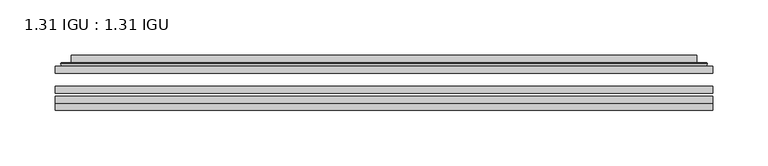
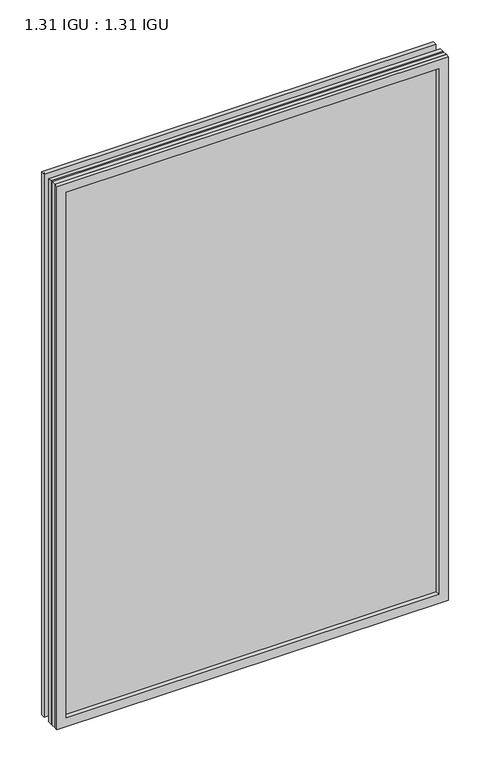
"""IFC4 building model written with IfcOpenShell, lengths in millimetres: plate geometry, 1.31 IGU : 1.31 IGU."""

from ifc_helpers import new_model, si_unit, frame, origin, place, context, project, spatial, polyline, ellipse_curve, outline, extrude, faceted_brep, source, transform, mapped, element, save
from ifc_brep_helpers import plane_surface, cylinder_surface, advanced_brep


def plate_1_31_igu_1_31_igu_4315d41d(model_context):
    return source(origin(), model_context, "Body", "SolidModel", [
        extrude(outline(polyline([(296.8798663, -63.2975937), (296.8798663, -69.6475938), (-296.8656913, -69.6475938), (-296.8656913, -63.2975937), (296.8798663, -63.2975937)])), frame((0.0, 0.0, -14.2875), z_axis=(0.0, 0.0, 1.0), x_axis=(1.0, 0.0, 0.0)), (0.0, 0.0, 1.0), 869.9537979),
        extrude(outline(polyline([(-296.8656913, -78.2835938), (-296.8656913, -71.9330887), (296.8798663, -71.9330887), (296.8798663, -78.2835938), (-296.8656913, -78.2835938)])), frame((0.0, 0.0, -14.2875), z_axis=(0.0, 0.0, 1.0), x_axis=(1.0, 0.0, 0.0)), (0.0, 0.0, 1.0), 869.9537979),
        extrude(outline(polyline([(296.8798663, -44.9587937), (296.8798663, -51.3087938), (-296.8656913, -51.3087938), (-296.8656913, -44.9587937), (296.8798663, -44.9587937)])), frame((0.0, 0.0, -14.2875), z_axis=(0.0, 0.0, 1.0), x_axis=(1.0, 0.0, 0.0)), (0.0, 0.0, 1.0), 869.9537979),
        faceted_brep([(-296.8783913, -84.6335937, 855.6752), (-296.8783913, -78.2835937, 855.6752), (-296.8783913, -78.2835937, -14.3002), (-296.8783913, -84.6335937, -14.3002), (296.8783913, -78.2835937, -14.3002), (296.8783913, -84.6335937, -14.3002), (296.8783913, -78.2835937, 855.6752), (296.8783913, -84.6335937, 855.6752), (-281.6804472, -78.2835937, 0.8977441), (281.6804472, -78.2835937, 0.8977441), (281.6804472, -78.2835937, 840.4772559), (-281.6804472, -78.2835937, 840.4772559), (-282.5728815, -84.6335937, 841.3696902), (282.5728815, -84.6335937, 841.3696902), (282.5728815, -84.6335937, 0.0053098), (-282.5728815, -84.6335937, 0.0053098)], [[[0, 1, 2, 3]], [[3, 2, 4, 5]], [[5, 4, 6, 7]], [[1, 6, 4, 2], [8, 9, 10, 11]], [[7, 6, 1, 0]], [[3, 5, 7, 0], [12, 13, 14, 15]], [[11, 12, 15, 8]], [[8, 15, 14, 9]], [[9, 14, 13, 10]], [[10, 13, 12, 11]]]),
        advanced_brep(
        [(-289.6244103, -44.9587937, 848.421219), (-291.9786157, -42.9691271, 850.7754244), (-291.9786157, -42.9691271, -9.4004244), (-289.6244103, -44.9587937, -7.046219), (-280.5500852, -41.1187568, 839.3468939), (-275.6152534, -44.9587937, 834.4120621), (-275.6152534, -44.9587937, 6.9629379), (-280.5500852, -41.1187568, 2.0281061), (-281.582113, -35.7215256, 840.3789217), (-281.582113, -35.7215256, 0.9960783), (-282.5727697, -35.3225507, 841.3695784), (-282.5727697, -35.3225507, 0.0054216), (-282.5727697, -41.7837937, 841.3695784), (-282.5727697, -41.7837937, 0.0054216), (-290.9768262, -41.7837937, 849.7736349), (-290.9768262, -41.7837937, -8.3986349), (291.9786157, -42.9691271, -9.4004244), (289.6244103, -44.9587937, -7.046219), (275.6152534, -44.9587937, 6.9629379), (280.5500852, -41.1187568, 2.0281061), (281.582113, -35.7215256, 0.9960783), (282.5727697, -35.3225507, 0.0054216), (282.5727697, -41.7837937, 0.0054216), (290.9768262, -41.7837937, -8.3986349), (291.9786157, -42.9691271, 850.7754244), (289.6244103, -44.9587937, 848.421219), (275.6152534, -44.9587937, 834.4120621), (280.5500852, -41.1187568, 839.3468939), (281.582113, -35.7215256, 840.3789217), (282.5727697, -35.3225507, 841.3695784), (282.5727697, -41.7837937, 841.3695784), (290.9768262, -41.7837937, 849.7736349)],
        [
            (0, 1, ellipse_curve(frame((-289.6244103, -42.5711937, 848.421219), z_axis=(-0.7071067811865475, 0.0, -0.7071067811865475), x_axis=(-0.7071067811865474, 0.0, 0.7071067811865476)), 3.3765763, 2.3876)),
            (1, 2),
            (2, 3, ellipse_curve(frame((-289.6244103, -42.5711937, -7.046219), z_axis=(-0.7071067811865475, 0.0, 0.7071067811865475), x_axis=(0.7071067811865474, 0.0, 0.7071067811865476)), 3.3765763, 2.3876)),
            (3, 0),
            (4, 5),
            (5, 6),
            (6, 7),
            (7, 4),
            (8, 4),
            (7, 9),
            (9, 8),
            (10, 8, ellipse_curve(frame((-282.2058132, -35.840786, 841.0026219), z_axis=(-0.7071067811865475, 0.0, -0.7071067811865475), x_axis=(-0.7071067811865474, 0.0, 0.7071067811865476)), 0.8980256, 0.635)),
            (9, 11, ellipse_curve(frame((-282.2058132, -35.840786, 0.3723781), z_axis=(-0.7071067811865475, 0.0, 0.7071067811865475), x_axis=(0.7071067811865474, 0.0, 0.7071067811865476)), 0.8980256, 0.635)),
            (11, 10),
            (12, 10),
            (11, 13),
            (13, 12),
            (1, 14, ellipse_curve(frame((-290.9768262, -42.7997937, 849.7736349), z_axis=(-0.7071067811865475, 0.0, -0.7071067811865475), x_axis=(-0.7071067811865474, 0.0, 0.7071067811865476)), 1.436841, 1.016)),
            (14, 15),
            (15, 2, ellipse_curve(frame((-290.9768262, -42.7997937, -8.3986349), z_axis=(-0.7071067811865475, 0.0, 0.7071067811865475), x_axis=(0.7071067811865474, 0.0, 0.7071067811865476)), 1.436841, 1.016)),
            (2, 16),
            (16, 17, ellipse_curve(frame((289.6244103, -42.5711937, -7.046219), z_axis=(-0.7071067811865475, 0.0, -0.7071067811865475), x_axis=(-0.7071067811865476, 0.0, 0.7071067811865474)), 3.3765763, 2.3876)),
            (17, 3),
            (6, 18),
            (18, 19),
            (19, 7),
            (19, 20),
            (20, 9),
            (20, 21, ellipse_curve(frame((282.2058132, -35.840786, 0.3723781), z_axis=(-0.7071067811865475, 0.0, -0.7071067811865475), x_axis=(-0.7071067811865476, 0.0, 0.7071067811865474)), 0.8980256, 0.635)),
            (21, 11),
            (21, 22),
            (22, 13),
            (15, 23),
            (23, 16, ellipse_curve(frame((290.9768262, -42.7997937, -8.3986349), z_axis=(-0.7071067811865475, 0.0, -0.7071067811865475), x_axis=(-0.7071067811865476, 0.0, 0.7071067811865474)), 1.436841, 1.016)),
            (16, 24),
            (24, 25, ellipse_curve(frame((289.6244103, -42.5711937, 848.421219), z_axis=(0.7071067811865475, 0.0, -0.7071067811865475), x_axis=(-0.7071067811865474, 0.0, -0.7071067811865476)), 3.3765763, 2.3876)),
            (25, 17),
            (18, 26),
            (26, 27),
            (27, 19),
            (27, 28),
            (28, 20),
            (28, 29, ellipse_curve(frame((282.2058132, -35.840786, 841.0026219), z_axis=(0.7071067811865475, 0.0, -0.7071067811865475), x_axis=(-0.7071067811865474, 0.0, -0.7071067811865476)), 0.8980256, 0.635)),
            (29, 21),
            (29, 30),
            (30, 22),
            (23, 31),
            (31, 24, ellipse_curve(frame((290.9768262, -42.7997937, 849.7736349), z_axis=(0.7071067811865475, 0.0, -0.7071067811865475), x_axis=(-0.7071067811865474, 0.0, -0.7071067811865476)), 1.436841, 1.016)),
            (24, 1),
            (0, 25),
            (5, 26),
            (4, 27),
            (8, 28),
            (10, 29),
            (12, 30),
            (14, 31),
        ],
        [
            cylinder_surface(frame((-289.6244103, -42.5711937, 873.125), z_axis=(0.0, 0.0, 1.0), x_axis=(-1.0, 0.0, 0.0)), 2.3876),
            plane_surface(frame((-275.6152534, -44.9587937, 834.4120621), z_axis=(0.6141233906514794, 0.7892100234124821, 0.0), x_axis=(0.0, 0.0, -1.0))),
            plane_surface(frame((-280.5500852, -41.1187568, 839.3468939), z_axis=(0.9822050625507729, 0.18781164793386076, 0.0), x_axis=(0.0, 0.0, -1.0))),
            cylinder_surface(frame((-282.2058132, -35.840786, 873.125), z_axis=(0.0, 0.0, 1.0), x_axis=(-1.0, 0.0, 0.0)), 0.635),
            plane_surface(frame((-282.5727697, -35.3225507, 841.3695784), z_axis=(-1.0, 0.0, 0.0), x_axis=(0.0, 0.0, -1.0))),
            cylinder_surface(frame((-290.9768262, -42.7997937, 873.125), z_axis=(0.0, 0.0, 1.0), x_axis=(-1.0, 0.0, 0.0)), 1.016),
            cylinder_surface(frame((-314.3281913, -42.5711937, -7.046219), z_axis=(-1.0, 0.0, 0.0), x_axis=(0.0, 0.0, -1.0)), 2.3876),
            plane_surface(frame((-275.6152534, -44.9587937, 6.9629379), z_axis=(0.0, 0.7892100234124841, 0.6141233906514768), x_axis=(1.0, 0.0, 0.0))),
            plane_surface(frame((-280.5500852, -41.1187568, 2.0281061), z_axis=(0.0, 0.18781164793386393, 0.9822050625507723), x_axis=(1.0, 0.0, 0.0))),
            cylinder_surface(frame((-314.3281913, -35.840786, 0.3723781), z_axis=(-1.0, 0.0, 0.0), x_axis=(0.0, 0.0, -1.0)), 0.635),
            plane_surface(frame((-282.5727697, -35.3225507, 0.0054216), z_axis=(0.0, 0.0, -1.0), x_axis=(1.0, 0.0, 0.0))),
            cylinder_surface(frame((-314.3281913, -42.7997937, -8.3986349), z_axis=(-1.0, 0.0, 0.0), x_axis=(0.0, 0.0, -1.0)), 1.016),
            cylinder_surface(frame((289.6244103, -42.5711937, -31.75), z_axis=(0.0, 0.0, -1.0), x_axis=(1.0, 0.0, 0.0)), 2.3876),
            plane_surface(frame((275.6152534, -44.9587937, 6.9629379), z_axis=(-0.6141233906514743, 0.7892100234124861, 0.0), x_axis=(0.0, 0.0, 1.0))),
            plane_surface(frame((280.5500852, -41.1187568, 2.0281061), z_axis=(-0.9822050625507718, 0.1878116479338671, 0.0), x_axis=(0.0, 0.0, 1.0))),
            cylinder_surface(frame((282.2058132, -35.840786, -31.75), z_axis=(0.0, 0.0, -1.0), x_axis=(1.0, 0.0, 0.0)), 0.635),
            plane_surface(frame((282.5727697, -35.3225507, 0.0054216), z_axis=(1.0, 0.0, 0.0), x_axis=(0.0, 0.0, 1.0))),
            cylinder_surface(frame((290.9768262, -42.7997937, -31.75), z_axis=(0.0, 0.0, -1.0), x_axis=(1.0, 0.0, 0.0)), 1.016),
            cylinder_surface(frame((314.3281913, -42.5711937, 848.421219), z_axis=(1.0, 0.0, 0.0), x_axis=(0.0, 0.0, 1.0)), 2.3876),
            plane_surface(frame((289.6244103, -44.9587937, 848.421219), z_axis=(0.0, -1.0, 0.0), x_axis=(-1.0, 0.0, 0.0))),
            plane_surface(frame((275.6152534, -44.9587937, 834.4120621), z_axis=(0.0, 0.7892100234124841, -0.6141233906514768), x_axis=(-1.0, 0.0, 0.0))),
            plane_surface(frame((280.5500852, -41.1187568, 839.3468939), z_axis=(0.0, 0.18781164793386393, -0.9822050625507723), x_axis=(-1.0, 0.0, 0.0))),
            cylinder_surface(frame((314.3281913, -35.840786, 841.0026219), z_axis=(1.0, 0.0, 0.0), x_axis=(0.0, 0.0, 1.0)), 0.635),
            plane_surface(frame((282.5727697, -35.3225507, 841.3695784), z_axis=(0.0, 0.0, 1.0), x_axis=(-1.0, 0.0, 0.0))),
            plane_surface(frame((282.5727697, -41.7837937, 841.3695784), z_axis=(0.0, 1.0, 0.0), x_axis=(-1.0, 0.0, 0.0))),
            cylinder_surface(frame((314.3281913, -42.7997937, 849.7736349), z_axis=(1.0, 0.0, 0.0), x_axis=(0.0, 0.0, 1.0)), 1.016),
        ],
        [
            (0, [[1, 2, 3, 4]]),
            (1, [[5, 6, 7, 8]]),
            (2, [[9, -8, 10, 11]]),
            (3, [[12, -11, 13, 14]]),
            (4, [[15, -14, 16, 17]]),
            (5, [[18, 19, 20, -2]]),
            (6, [[-3, 21, 22, 23]]),
            (7, [[-7, 24, 25, 26]]),
            (8, [[-10, -26, 27, 28]]),
            (9, [[-13, -28, 29, 30]]),
            (10, [[-16, -30, 31, 32]]),
            (11, [[-20, 33, 34, -21]]),
            (12, [[-22, 35, 36, 37]]),
            (13, [[-25, 38, 39, 40]]),
            (14, [[-27, -40, 41, 42]]),
            (15, [[-29, -42, 43, 44]]),
            (16, [[-31, -44, 45, 46]]),
            (17, [[-34, 47, 48, -35]]),
            (18, [[-36, 49, -1, 50]]),
            (19, [[-23, -37, -50, -4], [51, -38, -24, -6]]),
            (20, [[-39, -51, -5, 52]]),
            (21, [[-41, -52, -9, 53]]),
            (22, [[-43, -53, -12, 54]]),
            (23, [[-45, -54, -15, 55]]),
            (24, [[56, -47, -33, -19], [-32, -46, -55, -17]]),
            (25, [[-48, -56, -18, -49]]),
        ],
    ),
    ])


if __name__ == "__main__":
    model = new_model("IFC4")
    model_context = context("Model", 3, world=origin())
    ifc_project = project(units=[si_unit("LENGTHUNIT", "METRE", prefix="MILLI")], contexts=[model_context])
    site = spatial("IfcSite", under=ifc_project)
    building = spatial("IfcBuilding", under=site)
    placement = place(None, origin())
    plate_1_31_igu_1_31_igu_shape = plate_1_31_igu_1_31_igu_4315d41d(model_context)
    element("IfcPlate", 1, ObjectType="1.31 IGU : 1.31 IGU", at=placement, inside=building, context=model_context, shape_type="MappedRepresentation", body=[
        mapped(plate_1_31_igu_1_31_igu_shape, transform((0.0, 0.0, 0.0), x_axis=(1.0, 0.0, 0.0), y_axis=(0.0, 1.0, 0.0), z_axis=(0.0, 0.0, 1.0))),
    ])
    save(model, "model.ifc")
